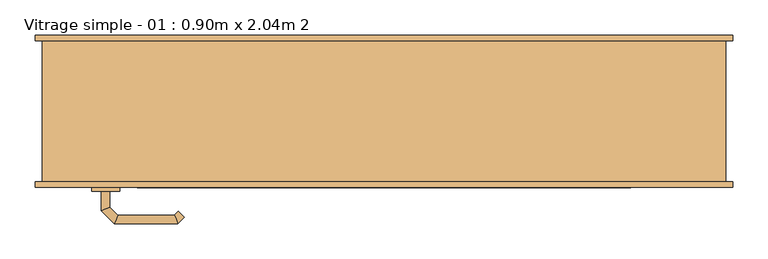
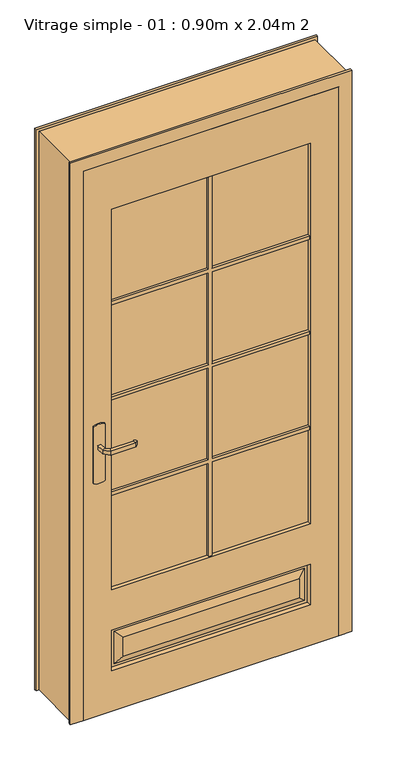
"""IFC4 building model written with IfcOpenShell, lengths in millimetres: door geometry, Vitrage simple - 01 : 0.90m x 2.04m 2."""

from ifc_helpers import new_model, si_unit, point, frame, frame_2d, origin, place, context, project, spatial, polyline, circle_curve, ellipse_curve, trimmed, segment, composite_curve, outline, extrude, faceted_brep, source, transform, mapped, element, save
from ifc_brep_helpers import plane_surface, cylinder_surface, advanced_brep


def vitrage_simple_01_0_90m_x_2_04m_2_d42d1156(model_context):
    return source(origin(), model_context, "Body", "SolidModel", [
        advanced_brep(
        [(-389.0, -63.0, 993.0), (-389.0, -63.0, 1007.0), (-401.0, -63.0, 1007.0), (-401.0, -63.0, 993.0), (-389.0, -40.5147955, 993.0), (-389.0, -40.5147955, 1007.0), (-401.0, -35.5442327, 1007.0), (-401.0, -35.5442327, 993.0), (-377.5147186, -29.0295141, 993.0), (-377.5147186, -29.0295141, 1007.0), (-382.4852814, -17.0295141, 1007.0), (-382.4852814, -17.0295141, 993.0), (-297.4394977, -29.0295141, 993.0), (-297.4394977, -29.0295141, 1007.0), (-292.468935, -17.0295141, 1007.0), (-292.468935, -17.0295141, 993.0), (-292.1257892, -34.3432226, 993.0), (-283.6405078, -25.8579412, 993.0), (-283.6405078, -25.8579412, 1007.0), (-292.1257892, -34.3432226, 1007.0)],
        [
            (0, 1),
            (1, 2, circle_curve(frame((-395.0, -63.0, 986.9542278), z_axis=(0.0, -1.0, 0.0), x_axis=(-1.0, 0.0, 0.0)), 20.9244589)),
            (2, 3),
            (3, 0, circle_curve(frame((-395.0, -63.0, 1013.0457722), z_axis=(0.0, -1.0, 0.0), x_axis=(-1.0, 0.0, 0.0)), 20.9244589)),
            (0, 4),
            (4, 5),
            (5, 1),
            (5, 6, ellipse_curve(frame((-395.0, -38.0295141, 986.9542278), z_axis=(-0.38268343236510893, -0.9238795325112789, 0.0), x_axis=(0.9238795325112789, -0.3826834323651087, 0.0)), 22.6484711, 20.9244589)),
            (6, 2),
            (6, 7),
            (7, 3),
            (7, 4, ellipse_curve(frame((-395.0, -38.0295141, 1013.0457722), z_axis=(-0.38268343236510893, -0.9238795325112789, 0.0), x_axis=(0.9238795325112789, -0.3826834323651087, 0.0)), 22.6484711, 20.9244589)),
            (4, 8),
            (8, 9),
            (9, 5),
            (9, 10, ellipse_curve(frame((-380.0, -23.0295141, 986.9542278), z_axis=(-0.9238795325112946, -0.38268343236507063, 0.0), x_axis=(0.3826834323650701, -0.9238795325112948, 0.0)), 22.6484711, 20.9244589)),
            (10, 6),
            (10, 11),
            (11, 7),
            (11, 8, ellipse_curve(frame((-380.0, -23.0295141, 1013.0457722), z_axis=(-0.9238795325112946, -0.38268343236507063, 0.0), x_axis=(0.3826834323650701, -0.9238795325112948, 0.0)), 22.6484711, 20.9244589)),
            (8, 12),
            (12, 13),
            (13, 9),
            (13, 14, ellipse_curve(frame((-294.9542163, -23.0295141, 986.9542278), z_axis=(-0.9238795325113071, 0.38268343236504027, 0.0), x_axis=(-0.38268343236504115, -0.9238795325113068, 0.0)), 22.6484711, 20.9244589)),
            (14, 10),
            (14, 15),
            (15, 11),
            (15, 12, ellipse_curve(frame((-294.9542163, -23.0295141, 1013.0457722), z_axis=(-0.9238795325113071, 0.38268343236504027, 0.0), x_axis=(-0.38268343236504115, -0.9238795325113068, 0.0)), 22.6484711, 20.9244589)),
            (16, 17, circle_curve(frame((-287.8831485, -30.1005819, 1013.0457722), z_axis=(0.7071067811866232, -0.7071067811864719, 0.0), x_axis=(0.7071067811864719, 0.7071067811866232, 0.0)), 20.9244589)),
            (17, 18),
            (18, 19, circle_curve(frame((-287.8831485, -30.1005819, 986.9542278), z_axis=(0.7071067811866232, -0.7071067811864719, 0.0), x_axis=(0.7071067811864719, 0.7071067811866232, 0.0)), 20.9244589)),
            (19, 16),
            (12, 16),
            (19, 13),
            (18, 14),
            (17, 15),
        ],
        [
            plane_surface(frame((-404.2195445, -63.0, 1000.0), z_axis=(0.0, -1.0, 0.0), x_axis=(0.0, 0.0, 1.0))),
            plane_surface(frame((-389.0, -63.0, 993.0), z_axis=(1.0, 0.0, 0.0), x_axis=(0.0, 1.0, 0.0))),
            cylinder_surface(frame((-395.0, -63.0, 986.9542278), z_axis=(0.0, -1.0, 0.0), x_axis=(-1.0, 0.0, 0.0)), 20.9244589),
            plane_surface(frame((-401.0, -63.0, 1007.0), z_axis=(-1.0, 0.0, 0.0), x_axis=(0.0, 1.0, 0.0))),
            cylinder_surface(frame((-395.0, -63.0, 1013.0457722), z_axis=(0.0, -1.0, 0.0), x_axis=(-1.0, 0.0, 0.0)), 20.9244589),
            plane_surface(frame((-389.0, -40.5147955, 993.0), z_axis=(0.7071067811865182, -0.707106781186577, 0.0), x_axis=(0.707106781186577, 0.7071067811865182, 0.0))),
            cylinder_surface(frame((-395.0, -38.0295141, 986.9542278), z_axis=(-0.7071067811865768, -0.7071067811865183, 0.0), x_axis=(-0.7071067811865183, 0.7071067811865768, 0.0)), 20.9244589),
            plane_surface(frame((-401.0, -35.5442327, 1007.0), z_axis=(-0.7071067811865184, 0.7071067811865767, 0.0), x_axis=(0.7071067811865767, 0.7071067811865184, 0.0))),
            cylinder_surface(frame((-395.0, -38.0295141, 1013.0457722), z_axis=(-0.7071067811865768, -0.7071067811865183, 0.0), x_axis=(-0.7071067811865183, 0.7071067811865768, 0.0)), 20.9244589),
            plane_surface(frame((-377.5147186, -29.0295141, 993.0), z_axis=(0.0, -1.0, 0.0), x_axis=(1.0, 0.0, 0.0))),
            cylinder_surface(frame((-380.0, -23.0295141, 986.9542278), z_axis=(-1.0, 0.0, 0.0), x_axis=(0.0, 1.0, 0.0)), 20.9244589),
            plane_surface(frame((-382.4852814, -17.0295141, 1007.0), z_axis=(0.0, 1.0, 0.0), x_axis=(1.0, 0.0, 0.0))),
            cylinder_surface(frame((-380.0, -23.0295141, 1013.0457722), z_axis=(-1.0, 0.0, 0.0), x_axis=(0.0, 1.0, 0.0)), 20.9244589),
            plane_surface(frame((-287.8831485, -30.1005819, 990.7804555), z_axis=(0.7071067811866233, -0.7071067811864719, 0.0), x_axis=(0.7071067811864719, 0.7071067811866233, 0.0))),
            plane_surface(frame((-297.4394977, -29.0295141, 993.0), z_axis=(-0.7071067811864713, -0.7071067811866238, 0.0), x_axis=(0.7071067811866238, -0.7071067811864713, 0.0))),
            cylinder_surface(frame((-294.9542163, -23.0295141, 986.9542278), z_axis=(-0.7071067811866232, 0.7071067811864719, 0.0), x_axis=(0.7071067811864719, 0.7071067811866232, 0.0)), 20.9244589),
            plane_surface(frame((-292.468935, -17.0295141, 1007.0), z_axis=(0.7071067811864721, 0.707106781186623, 0.0), x_axis=(0.707106781186623, -0.7071067811864721, 0.0))),
            cylinder_surface(frame((-294.9542163, -23.0295141, 1013.0457722), z_axis=(-0.7071067811866232, 0.7071067811864719, 0.0), x_axis=(0.7071067811864719, 0.7071067811866232, 0.0)), 20.9244589),
        ],
        [
            (0, [[1, 2, 3, 4]]),
            (1, [[-1, 5, 6, 7]]),
            (2, [[-2, -7, 8, 9]]),
            (3, [[-3, -9, 10, 11]]),
            (4, [[-4, -11, 12, -5]]),
            (5, [[-6, 13, 14, 15]]),
            (6, [[-8, -15, 16, 17]]),
            (7, [[-10, -17, 18, 19]]),
            (8, [[-12, -19, 20, -13]]),
            (9, [[-14, 21, 22, 23]]),
            (10, [[-16, -23, 24, 25]]),
            (11, [[-18, -25, 26, 27]]),
            (12, [[-20, -27, 28, -21]]),
            (13, [[29, 30, 31, 32]]),
            (14, [[-22, 33, -32, 34]]),
            (15, [[-24, -34, -31, 35]]),
            (16, [[-26, -35, -30, 36]]),
            (17, [[-28, -36, -29, -33]]),
        ],
    ),
        advanced_brep(
        [(-401.0, -113.0, 1007.0), (-389.0, -113.0, 1007.0), (-389.0, -113.0, 993.0), (-401.0, -113.0, 993.0), (-401.0, -140.6509507, 1007.0), (-389.0, -135.680388, 1007.0), (-389.0, -135.680388, 993.0), (-401.0, -140.6509507, 993.0), (-382.62279, -159.0281607, 1007.0), (-377.6522273, -147.0281607, 1007.0), (-377.6522273, -147.0281607, 993.0), (-382.62279, -159.0281607, 993.0), (-292.496078, -159.0281607, 1007.0), (-297.4666408, -147.0281607, 1007.0), (-297.4666408, -147.0281607, 993.0), (-292.496078, -159.0281607, 993.0), (-283.6676509, -150.1997336, 1007.0), (-283.6676509, -150.1997336, 993.0), (-292.1529323, -141.7144522, 993.0), (-292.1529323, -141.7144522, 1007.0)],
        [
            (0, 1, circle_curve(frame((-395.0, -113.0, 986.9542278), z_axis=(0.0, 1.0, 0.0), x_axis=(1.0, 0.0, 0.0)), 20.9244589)),
            (1, 2),
            (2, 3, circle_curve(frame((-395.0, -113.0, 1013.0457722), z_axis=(0.0, 1.0, 0.0), x_axis=(1.0, 0.0, 0.0)), 20.9244589)),
            (3, 0),
            (0, 4),
            (4, 5, ellipse_curve(frame((-395.0, -138.1656693, 986.9542278), z_axis=(-0.3826834323651093, 0.9238795325112789, 0.0), x_axis=(0.9238795325112791, 0.38268343236510843, 0.0)), 22.6484711, 20.9244589)),
            (5, 1),
            (5, 6),
            (6, 2),
            (6, 7, ellipse_curve(frame((-395.0, -138.1656693, 1013.0457722), z_axis=(-0.3826834323651093, 0.9238795325112789, 0.0), x_axis=(0.9238795325112791, 0.38268343236510843, 0.0)), 22.6484711, 20.9244589)),
            (7, 3),
            (7, 4),
            (4, 8),
            (8, 9, ellipse_curve(frame((-380.1375086, -153.0281607, 986.9542278), z_axis=(-0.9238795325112947, 0.38268343236507024, 0.0), x_axis=(0.3826834323650698, 0.9238795325112951, 0.0)), 22.6484711, 20.9244589)),
            (9, 5),
            (9, 10),
            (10, 6),
            (10, 11, ellipse_curve(frame((-380.1375086, -153.0281607, 1013.0457722), z_axis=(-0.9238795325112947, 0.38268343236507024, 0.0), x_axis=(0.3826834323650698, 0.9238795325112951, 0.0)), 22.6484711, 20.9244589)),
            (11, 7),
            (11, 8),
            (8, 12),
            (12, 13, ellipse_curve(frame((-294.9813594, -153.0281607, 986.9542278), z_axis=(-0.9238795325112743, -0.3826834323651198, 0.0), x_axis=(-0.38268343236511987, 0.9238795325112744, 0.0)), 22.6484711, 20.9244589)),
            (13, 9),
            (13, 14),
            (14, 10),
            (14, 15, ellipse_curve(frame((-294.9813594, -153.0281607, 1013.0457722), z_axis=(-0.9238795325112743, -0.3826834323651198, 0.0), x_axis=(-0.38268343236511987, 0.9238795325112744, 0.0)), 22.6484711, 20.9244589)),
            (15, 11),
            (15, 12),
            (16, 17),
            (17, 18, circle_curve(frame((-287.9102916, -145.9570929, 1013.0457722), z_axis=(0.7071067811865017, 0.7071067811865933, 0.0), x_axis=(-0.7071067811865933, 0.7071067811865017, 0.0)), 20.9244589)),
            (18, 19),
            (19, 16, circle_curve(frame((-287.9102916, -145.9570929, 986.9542278), z_axis=(0.7071067811865017, 0.7071067811865933, 0.0), x_axis=(-0.7071067811865933, 0.7071067811865017, 0.0)), 20.9244589)),
            (12, 16),
            (19, 13),
            (18, 14),
            (17, 15),
        ],
        [
            plane_surface(frame((-404.2195445, -113.0, 1000.0), z_axis=(0.0, 1.0, 0.0), x_axis=(0.0, 0.0, -1.0))),
            cylinder_surface(frame((-395.0, -113.0, 986.9542278), z_axis=(0.0, 1.0, 0.0), x_axis=(1.0, 0.0, 0.0)), 20.9244589),
            plane_surface(frame((-389.0, -113.0, 1007.0), z_axis=(1.0, 0.0, 0.0), x_axis=(0.0, -1.0, 0.0))),
            cylinder_surface(frame((-395.0, -113.0, 1013.0457722), z_axis=(0.0, 1.0, 0.0), x_axis=(1.0, 0.0, 0.0)), 20.9244589),
            plane_surface(frame((-401.0, -113.0, 993.0), z_axis=(-1.0, 0.0, 0.0), x_axis=(0.0, -1.0, 0.0))),
            cylinder_surface(frame((-395.0, -138.1656693, 986.9542278), z_axis=(-0.7071067811865772, 0.7071067811865177, 0.0), x_axis=(0.7071067811865177, 0.7071067811865772, 0.0)), 20.9244589),
            plane_surface(frame((-389.0, -135.680388, 1007.0), z_axis=(0.707106781186518, 0.7071067811865771, 0.0), x_axis=(0.7071067811865771, -0.707106781186518, 0.0))),
            cylinder_surface(frame((-395.0, -138.1656693, 1013.0457722), z_axis=(-0.7071067811865772, 0.7071067811865177, 0.0), x_axis=(0.7071067811865177, 0.7071067811865772, 0.0)), 20.9244589),
            plane_surface(frame((-401.0, -140.6509507, 993.0), z_axis=(-0.7071067811865179, -0.7071067811865772, 0.0), x_axis=(0.7071067811865772, -0.7071067811865179, 0.0))),
            cylinder_surface(frame((-380.1375086, -153.0281607, 986.9542278), z_axis=(-1.0, 0.0, 0.0), x_axis=(0.0, 1.0, 0.0)), 20.9244589),
            plane_surface(frame((-377.6522273, -147.0281607, 1007.0), z_axis=(0.0, 1.0, 0.0), x_axis=(1.0, 0.0, 0.0))),
            cylinder_surface(frame((-380.1375086, -153.0281607, 1013.0457722), z_axis=(-1.0, 0.0, 0.0), x_axis=(0.0, 1.0, 0.0)), 20.9244589),
            plane_surface(frame((-382.62279, -159.0281607, 993.0), z_axis=(0.0, -1.0, 0.0), x_axis=(1.0, 0.0, 0.0))),
            plane_surface(frame((-287.9102916, -145.9570929, 1009.2195445), z_axis=(0.7071067811865019, 0.7071067811865932, 0.0), x_axis=(0.7071067811865932, -0.7071067811865019, 0.0))),
            cylinder_surface(frame((-294.9813594, -153.0281607, 986.9542278), z_axis=(-0.7071067811865017, -0.7071067811865933, 0.0), x_axis=(-0.7071067811865933, 0.7071067811865017, 0.0)), 20.9244589),
            plane_surface(frame((-297.4666408, -147.0281607, 1007.0), z_axis=(-0.7071067811865925, 0.7071067811865025, 0.0), x_axis=(0.7071067811865025, 0.7071067811865925, 0.0))),
            cylinder_surface(frame((-294.9813594, -153.0281607, 1013.0457722), z_axis=(-0.7071067811865017, -0.7071067811865933, 0.0), x_axis=(-0.7071067811865933, 0.7071067811865017, 0.0)), 20.9244589),
            plane_surface(frame((-292.496078, -159.0281607, 993.0), z_axis=(0.7071067811865936, -0.7071067811865015, 0.0), x_axis=(0.7071067811865015, 0.7071067811865936, 0.0))),
        ],
        [
            (0, [[1, 2, 3, 4]]),
            (1, [[-1, 5, 6, 7]]),
            (2, [[-2, -7, 8, 9]]),
            (3, [[-3, -9, 10, 11]]),
            (4, [[-4, -11, 12, -5]]),
            (5, [[-6, 13, 14, 15]]),
            (6, [[-8, -15, 16, 17]]),
            (7, [[-10, -17, 18, 19]]),
            (8, [[-12, -19, 20, -13]]),
            (9, [[-14, 21, 22, 23]]),
            (10, [[-16, -23, 24, 25]]),
            (11, [[-18, -25, 26, 27]]),
            (12, [[-20, -27, 28, -21]]),
            (13, [[29, 30, 31, 32]]),
            (14, [[-22, 33, -32, 34]]),
            (15, [[-24, -34, -31, 35]]),
            (16, [[-26, -35, -30, 36]]),
            (17, [[-28, -36, -29, -33]]),
        ],
    ),
        extrude(outline(composite_curve([segment(trimmed(circle_curve(frame_2d((1045.3589838, -395.0)), 40.0), [point((1080.0, -375.0))], [point((1080.0, -415.0))], False, "CARTESIAN"), True, "CONTINUOUS"), segment(polyline([(1080.0, -415.0), (870.0, -415.0)]), True, "CONTINUOUS"), segment(trimmed(circle_curve(frame_2d((904.6410162, -395.0)), 40.0), [point((870.0, -415.0))], [point((870.0, -375.0))], False, "CARTESIAN"), True, "CONTINUOUS"), segment(polyline([(870.0, -375.0), (1080.0, -375.0)]), True, "CONTINUOUS")], self_intersect=False)), frame((0.0, -68.0, 0.0), z_axis=(0.0, 1.0, 0.0), x_axis=(0.0, 0.0, 1.0)), (0.0, 0.0, 1.0), 5.0),
        extrude(outline(composite_curve([segment(trimmed(circle_curve(frame_2d((904.6410162, -395.0)), 40.0), [point((870.0, -415.0))], [point((870.0, -375.0))], False, "CARTESIAN"), True, "CONTINUOUS"), segment(polyline([(870.0, -375.0), (1080.0, -375.0)]), True, "CONTINUOUS"), segment(trimmed(circle_curve(frame_2d((1045.3589838, -395.0)), 40.0), [point((1080.0, -375.0))], [point((1080.0, -415.0))], False, "CARTESIAN"), True, "CONTINUOUS"), segment(polyline([(1080.0, -415.0), (870.0, -415.0)]), True, "CONTINUOUS")], self_intersect=False)), frame((0.0, -113.0, 0.0), z_axis=(0.0, 1.0, 0.0), x_axis=(0.0, 0.0, 1.0)), (0.0, 0.0, 1.0), 5.0),
        faceted_brep([(-485.0, -100.0, 0.0), (-485.0, 100.0, 0.0), (-495.0, 100.0, 0.0), (-495.0, 108.0, 0.0), (-435.0, 108.0, 0.0), (-435.0, -68.0, 0.0), (-450.0, -68.0, 0.0), (-450.0, -108.0, 0.0), (-495.0, -108.0, 0.0), (-495.0, -100.0, 0.0), (-485.0, -100.0, 2075.0), (-485.0, 100.0, 2075.0), (485.0, 100.0, 2075.0), (485.0, 100.0, 0.0), (495.0, 100.0, 0.0), (495.0, 100.0, 2085.0), (-495.0, 100.0, 2085.0), (-495.0, 108.0, 2085.0), (495.0, 108.0, 2085.0), (495.0, 108.0, 0.0), (435.0, 108.0, 0.0), (435.0, 108.0, 2025.0), (-435.0, 108.0, 2025.0), (-435.0, -68.0, 2025.0), (435.0, -68.0, 2025.0), (435.0, -68.0, 0.0), (450.0, -68.0, 0.0), (450.0, -68.0, 2040.0), (-450.0, -68.0, 2040.0), (-450.0, -108.0, 2040.0), (450.0, -108.0, 2040.0), (450.0, -108.0, 0.0), (495.0, -108.0, 0.0), (495.0, -108.0, 2085.0), (-495.0, -108.0, 2085.0), (-495.0, -100.0, 2085.0), (495.0, -100.0, 2085.0), (495.0, -100.0, 0.0), (485.0, -100.0, 0.0), (485.0, -100.0, 2075.0)], [[[0, 1, 2, 3, 4, 5, 6, 7, 8, 9]], [[1, 0, 10, 11]], [[2, 1, 11, 12, 13, 14, 15, 16]], [[3, 2, 16, 17]], [[4, 3, 17, 18, 19, 20, 21, 22]], [[5, 4, 22, 23]], [[6, 5, 23, 24, 25, 26, 27, 28]], [[7, 6, 28, 29]], [[8, 7, 29, 30, 31, 32, 33, 34]], [[9, 8, 34, 35]], [[0, 9, 35, 36, 37, 38, 39, 10]], [[13, 12, 39, 38]], [[14, 13, 38, 37, 32, 31, 26, 25, 20, 19]], [[15, 14, 19, 18]], [[21, 20, 25, 24]], [[27, 26, 31, 30]], [[33, 32, 37, 36]], [[11, 10, 39, 12]], [[16, 15, 18, 17]], [[22, 21, 24, 23]], [[28, 27, 30, 29]], [[34, 33, 36, 35]]]),
        extrude(outline(polyline([(350.0, -93.0), (-350.0, -93.0), (-350.0, -83.0), (350.0, -83.0), (350.0, -93.0)])), frame((0.0, 0.0, 450.0), z_axis=(0.0, 0.0, 1.0), x_axis=(1.0, 0.0, 0.0)), (0.0, 0.0, 1.0), 1415.0),
        faceted_brep([(-450.0, -108.0, 2040.0), (-450.0, -108.0, 0.0), (450.0, -108.0, 0.0), (450.0, -108.0, 2040.0), (350.0, -108.0, 1865.0), (350.0, -108.0, 450.0), (-350.0, -108.0, 450.0), (-350.0, -108.0, 1865.0), (350.0, -108.0, 300.0), (350.0, -108.0, 150.0), (-350.0, -108.0, 150.0), (-350.0, -108.0, 300.0), (310.0, -108.0, 190.0), (310.0, -108.0, 260.0), (-310.0, -108.0, 260.0), (-310.0, -108.0, 190.0), (-450.0, -68.0, 2040.0), (450.0, -68.0, 2040.0), (450.0, -68.0, 0.0), (-450.0, -68.0, 0.0), (350.0, -68.0, 1865.0), (-350.0, -68.0, 1865.0), (-350.0, -68.0, 450.0), (350.0, -68.0, 450.0), (-350.0, -68.0, 300.0), (-350.0, -68.0, 150.0), (350.0, -68.0, 150.0), (350.0, -68.0, 300.0), (-310.0, -68.0, 190.0), (-310.0, -68.0, 260.0), (310.0, -68.0, 260.0), (310.0, -68.0, 190.0), (335.0, -98.0, 165.0), (335.0, -98.0, 285.0), (345.0, -98.0, 295.0), (345.0, -98.0, 155.0), (-335.0, -98.0, 165.0), (-345.0, -98.0, 155.0), (-335.0, -98.0, 285.0), (-345.0, -98.0, 295.0), (-335.0, -78.0, 165.0), (-335.0, -78.0, 285.0), (-345.0, -78.0, 295.0), (-345.0, -78.0, 155.0), (335.0, -78.0, 165.0), (345.0, -78.0, 155.0), (335.0, -78.0, 285.0), (345.0, -78.0, 295.0)], [[[0, 1, 2, 3], [4, 5, 6, 7], [8, 9, 10, 11]], [[12, 13, 14, 15]], [[16, 17, 18, 19], [20, 21, 22, 23], [24, 25, 26, 27]], [[28, 29, 30, 31]], [[1, 0, 16, 19]], [[2, 1, 19, 18]], [[3, 2, 18, 17]], [[0, 3, 17, 16]], [[5, 4, 20, 23]], [[6, 5, 23, 22]], [[7, 6, 22, 21]], [[4, 7, 21, 20]], [[12, 32, 33, 13]], [[34, 35, 9, 8]], [[32, 12, 15, 36]], [[9, 35, 37, 10]], [[36, 15, 14, 38]], [[10, 37, 39, 11]], [[35, 34, 39, 37], [33, 32, 36, 38]], [[13, 33, 38, 14]], [[34, 8, 11, 39]], [[28, 40, 41, 29]], [[42, 43, 25, 24]], [[40, 28, 31, 44]], [[25, 43, 45, 26]], [[44, 31, 30, 46]], [[26, 45, 47, 27]], [[43, 42, 47, 45], [41, 40, 44, 46]], [[29, 41, 46, 30]], [[42, 24, 27, 47]]]),
        extrude(outline(polyline([(450.0, -6.0), (450.0, 6.0), (797.75, 6.0), (797.75, 350.0), (809.75, 350.0), (809.75, 6.0), (1151.5, 6.0), (1151.5, 350.0), (1163.5, 350.0), (1163.5, 6.0), (1505.25, 6.0), (1505.25, 350.0), (1517.25, 350.0), (1517.25, 6.0), (1865.0, 6.0), (1865.0, -6.0), (1517.25, -6.0), (1517.25, -350.0), (1505.25, -350.0), (1505.25, -6.0), (1163.5, -6.0), (1163.5, -350.0), (1151.5, -350.0), (1151.5, -6.0), (809.75, -6.0), (809.75, -350.0), (797.75, -350.0), (797.75, -6.0), (450.0, -6.0)])), frame((0.0, -103.0, 0.0), z_axis=(0.0, 1.0, 0.0), x_axis=(0.0, 0.0, 1.0)), (0.0, 0.0, 1.0), 10.0),
        extrude(outline(polyline([(450.0, -6.0), (450.0, 6.0), (797.75, 6.0), (797.75, 350.0), (809.75, 350.0), (809.75, 6.0), (1151.5, 6.0), (1151.5, 350.0), (1163.5, 350.0), (1163.5, 6.0), (1505.25, 6.0), (1505.25, 350.0), (1517.25, 350.0), (1517.25, 6.0), (1865.0, 6.0), (1865.0, -6.0), (1517.25, -6.0), (1517.25, -350.0), (1505.25, -350.0), (1505.25, -6.0), (1163.5, -6.0), (1163.5, -350.0), (1151.5, -350.0), (1151.5, -6.0), (809.75, -6.0), (809.75, -350.0), (797.75, -350.0), (797.75, -6.0), (450.0, -6.0)])), frame((0.0, -83.0, 0.0), z_axis=(0.0, 1.0, 0.0), x_axis=(0.0, 0.0, 1.0)), (0.0, 0.0, 1.0), 10.0),
    ])


if __name__ == "__main__":
    model = new_model("IFC4")
    model_context = context("Model", 3, world=origin())
    ifc_project = project(units=[si_unit("LENGTHUNIT", "METRE", prefix="MILLI")], contexts=[model_context])
    site = spatial("IfcSite", under=ifc_project)
    building = spatial("IfcBuilding", under=site)
    placement = place(None, origin())
    vitrage_simple_01_0_90m_x_2_04m_2_shape = vitrage_simple_01_0_90m_x_2_04m_2_d42d1156(model_context)
    element("IfcDoor", 1, ObjectType="Vitrage simple - 01 : 0.90m x 2.04m 2", at=placement, inside=building, context=model_context, shape_type="MappedRepresentation", body=[
        mapped(vitrage_simple_01_0_90m_x_2_04m_2_shape, transform((0.0, 0.0, 0.0), x_axis=(1.0, 0.0, 0.0), y_axis=(0.0, 1.0, 0.0), z_axis=(0.0, 0.0, 1.0))),
    ])
    save(model, "model.ifc")
